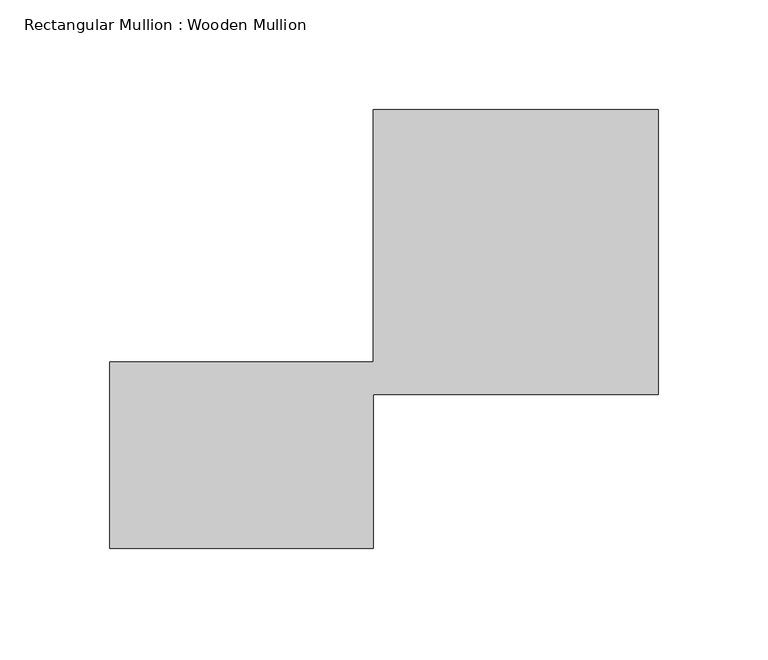
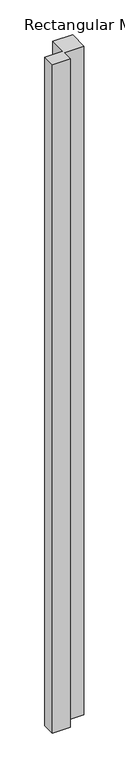
"""IFC4 building model written with IfcOpenShell, lengths in millimetres: member geometry, Rectangular Mullion : Wooden Mullion."""

from ifc_helpers import new_model, si_unit, frame, origin, place, context, project, spatial, polyline, outline, extrude, source, transform, mapped, element, save


def rectangular_mullion_wooden_mullion_c77ecc6c(model_context):
    return source(origin(), model_context, "Body", "SweptSolid", [
        extrude(outline(polyline([(74.8100006, -26.0137344), (-45.1899994, -26.0137344), (-45.1899994, 58.9862656), (74.8100006, 58.9862656), (74.8100006, 173.9862656), (204.8100006, 173.9862656), (204.8100006, 43.9862656), (74.8100006, 43.9862656), (74.8100006, -26.0137344)])), frame((0.0, 0.0, -4689.9189174), z_axis=(0.0, 0.0, 1.0), x_axis=(1.0, 0.0, 0.0)), (0.0, 0.0, 1.0), 4689.9189174),
    ])


if __name__ == "__main__":
    model = new_model("IFC4")
    model_context = context("Model", 3, world=origin())
    ifc_project = project(units=[si_unit("LENGTHUNIT", "METRE", prefix="MILLI")], contexts=[model_context])
    site = spatial("IfcSite", under=ifc_project)
    building = spatial("IfcBuilding", under=site)
    placement = place(None, origin())
    rectangular_mullion_wooden_mullion_shape = rectangular_mullion_wooden_mullion_c77ecc6c(model_context)
    element("IfcMember", 1, ObjectType="Rectangular Mullion : Wooden Mullion", at=placement, inside=building, context=model_context, shape_type="MappedRepresentation", body=[
        mapped(rectangular_mullion_wooden_mullion_shape, transform((0.0, 0.0, 0.0), x_axis=(1.0, 0.0, 0.0), y_axis=(0.0, 1.0, 0.0), z_axis=(0.0, 0.0, 1.0))),
    ])
    save(model, "model.ifc")
